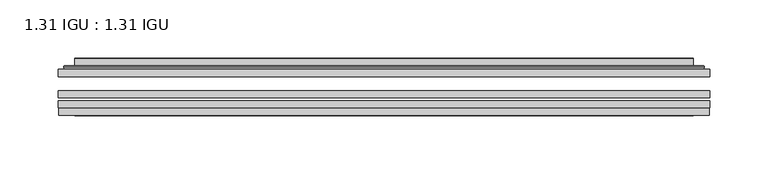
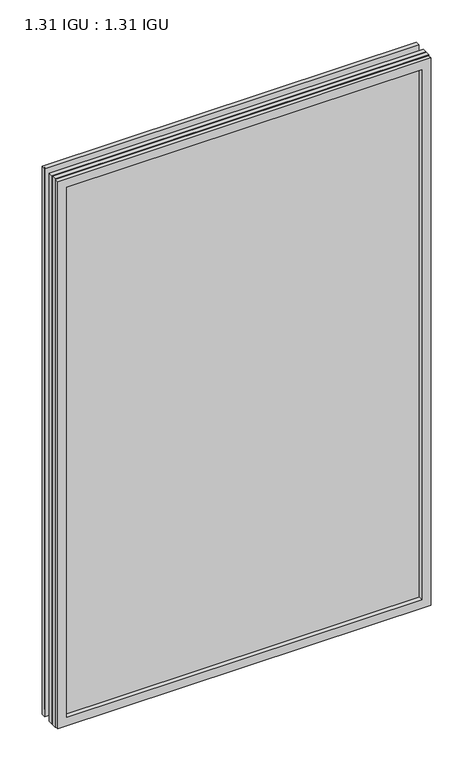
"""IFC4 building model written with IfcOpenShell, lengths in millimetres: plate geometry, 1.31 IGU : 1.31 IGU."""

from ifc_helpers import new_model, si_unit, frame, origin, place, context, project, spatial, polyline, ellipse_curve, outline, extrude, faceted_brep, source, transform, mapped, element, save
from ifc_brep_helpers import plane_surface, cylinder_surface, advanced_brep


def plate_1_31_igu_1_31_igu_31398427(model_context):
    return source(origin(), model_context, "Body", "SolidModel", [
        extrude(outline(polyline([(281.0048663, -63.59525), (281.0048663, -69.94525), (-280.9906913, -69.94525), (-280.9906913, -63.59525), (281.0048663, -63.59525)])), frame((0.0, 0.0, -14.2875), z_axis=(0.0, 0.0, 1.0), x_axis=(1.0, 0.0, 0.0)), (0.0, 0.0, 1.0), 869.9537979),
        extrude(outline(polyline([(-280.9906913, -78.58125), (-280.9906913, -72.230745), (281.0048663, -72.230745), (281.0048663, -78.58125), (-280.9906913, -78.58125)])), frame((0.0, 0.0, -14.2875), z_axis=(0.0, 0.0, 1.0), x_axis=(1.0, 0.0, 0.0)), (0.0, 0.0, 1.0), 869.9537979),
        extrude(outline(polyline([(281.0048663, -45.25645), (281.0048663, -51.60645), (-280.9906913, -51.60645), (-280.9906913, -45.25645), (281.0048663, -45.25645)])), frame((0.0, 0.0, -14.2875), z_axis=(0.0, 0.0, 1.0), x_axis=(1.0, 0.0, 0.0)), (0.0, 0.0, 1.0), 869.9537979),
        faceted_brep([(-280.2905055, -84.93125, 854.9623142), (-280.2905055, -78.58125, 854.9623142), (-280.2905055, -78.58125, -13.5873142), (-280.2905055, -84.93125, -13.5873142), (280.2905055, -78.58125, -13.5873142), (280.2905055, -84.93125, -13.5873142), (280.2905055, -78.58125, 854.9623142), (280.2905055, -84.93125, 854.9623142), (-265.8054472, -78.58125, 0.8977441), (265.8054472, -78.58125, 0.8977441), (265.8054472, -78.58125, 840.4772559), (-265.8054472, -78.58125, 840.4772559), (-266.6978815, -84.93125, 841.3696902), (266.6978815, -84.93125, 841.3696902), (266.6978815, -84.93125, 0.0053098), (-266.6978815, -84.93125, 0.0053098)], [[[0, 1, 2, 3]], [[3, 2, 4, 5]], [[5, 4, 6, 7]], [[1, 6, 4, 2], [8, 9, 10, 11]], [[7, 6, 1, 0]], [[3, 5, 7, 0], [12, 13, 14, 15]], [[11, 12, 15, 8]], [[8, 15, 14, 9]], [[9, 14, 13, 10]], [[10, 13, 12, 11]]]),
        advanced_brep(
        [(-273.7494103, -45.25645, 848.421219), (-276.1036157, -43.2667833, 850.7754244), (-276.1036157, -43.2667833, -9.4004244), (-273.7494103, -45.25645, -7.046219), (-264.6750852, -41.416413, 839.3468939), (-259.7402534, -45.25645, 834.4120621), (-259.7402534, -45.25645, 6.9629379), (-264.6750852, -41.416413, 2.0281061), (-265.707113, -36.0191819, 840.3789217), (-265.707113, -36.0191819, 0.9960783), (-266.6977697, -35.6202069, 841.3695784), (-266.6977697, -35.6202069, 0.0054216), (-266.6977697, -42.08145, 841.3695784), (-266.6977697, -42.08145, 0.0054216), (-275.1018262, -42.08145, 849.7736349), (-275.1018262, -42.08145, -8.3986349), (276.1036157, -43.2667833, -9.4004244), (273.7494103, -45.25645, -7.046219), (259.7402534, -45.25645, 6.9629379), (264.6750852, -41.416413, 2.0281061), (265.707113, -36.0191819, 0.9960783), (266.6977697, -35.6202069, 0.0054216), (266.6977697, -42.08145, 0.0054216), (275.1018262, -42.08145, -8.3986349), (276.1036157, -43.2667833, 850.7754244), (273.7494103, -45.25645, 848.421219), (259.7402534, -45.25645, 834.4120621), (264.6750852, -41.416413, 839.3468939), (265.707113, -36.0191819, 840.3789217), (266.6977697, -35.6202069, 841.3695784), (266.6977697, -42.08145, 841.3695784), (275.1018262, -42.08145, 849.7736349)],
        [
            (0, 1, ellipse_curve(frame((-273.7494103, -42.86885, 848.421219), z_axis=(-0.7071067811865475, 0.0, -0.7071067811865475), x_axis=(-0.7071067811865474, 0.0, 0.7071067811865476)), 3.3765763, 2.3876)),
            (1, 2),
            (2, 3, ellipse_curve(frame((-273.7494103, -42.86885, -7.046219), z_axis=(-0.7071067811865475, 0.0, 0.7071067811865475), x_axis=(0.7071067811865474, 0.0, 0.7071067811865476)), 3.3765763, 2.3876)),
            (3, 0),
            (4, 5),
            (5, 6),
            (6, 7),
            (7, 4),
            (8, 4),
            (7, 9),
            (9, 8),
            (10, 8, ellipse_curve(frame((-266.3308132, -36.1384423, 841.0026219), z_axis=(-0.7071067811865475, 0.0, -0.7071067811865475), x_axis=(-0.7071067811865474, 0.0, 0.7071067811865476)), 0.8980256, 0.635)),
            (9, 11, ellipse_curve(frame((-266.3308132, -36.1384423, 0.3723781), z_axis=(-0.7071067811865475, 0.0, 0.7071067811865475), x_axis=(0.7071067811865474, 0.0, 0.7071067811865476)), 0.8980256, 0.635)),
            (11, 10),
            (12, 10),
            (11, 13),
            (13, 12),
            (1, 14, ellipse_curve(frame((-275.1018262, -43.09745, 849.7736349), z_axis=(-0.7071067811865475, 0.0, -0.7071067811865475), x_axis=(-0.7071067811865474, 0.0, 0.7071067811865476)), 1.436841, 1.016)),
            (14, 15),
            (15, 2, ellipse_curve(frame((-275.1018262, -43.09745, -8.3986349), z_axis=(-0.7071067811865475, 0.0, 0.7071067811865475), x_axis=(0.7071067811865474, 0.0, 0.7071067811865476)), 1.436841, 1.016)),
            (2, 16),
            (16, 17, ellipse_curve(frame((273.7494103, -42.86885, -7.046219), z_axis=(-0.7071067811865475, 0.0, -0.7071067811865475), x_axis=(-0.7071067811865476, 0.0, 0.7071067811865474)), 3.3765763, 2.3876)),
            (17, 3),
            (6, 18),
            (18, 19),
            (19, 7),
            (19, 20),
            (20, 9),
            (20, 21, ellipse_curve(frame((266.3308132, -36.1384423, 0.3723781), z_axis=(-0.7071067811865475, 0.0, -0.7071067811865475), x_axis=(-0.7071067811865476, 0.0, 0.7071067811865474)), 0.8980256, 0.635)),
            (21, 11),
            (21, 22),
            (22, 13),
            (15, 23),
            (23, 16, ellipse_curve(frame((275.1018262, -43.09745, -8.3986349), z_axis=(-0.7071067811865475, 0.0, -0.7071067811865475), x_axis=(-0.7071067811865476, 0.0, 0.7071067811865474)), 1.436841, 1.016)),
            (16, 24),
            (24, 25, ellipse_curve(frame((273.7494103, -42.86885, 848.421219), z_axis=(0.7071067811865475, 0.0, -0.7071067811865475), x_axis=(-0.7071067811865474, 0.0, -0.7071067811865476)), 3.3765763, 2.3876)),
            (25, 17),
            (18, 26),
            (26, 27),
            (27, 19),
            (27, 28),
            (28, 20),
            (28, 29, ellipse_curve(frame((266.3308132, -36.1384423, 841.0026219), z_axis=(0.7071067811865475, 0.0, -0.7071067811865475), x_axis=(-0.7071067811865474, 0.0, -0.7071067811865476)), 0.8980256, 0.635)),
            (29, 21),
            (29, 30),
            (30, 22),
            (23, 31),
            (31, 24, ellipse_curve(frame((275.1018262, -43.09745, 849.7736349), z_axis=(0.7071067811865475, 0.0, -0.7071067811865475), x_axis=(-0.7071067811865474, 0.0, -0.7071067811865476)), 1.436841, 1.016)),
            (24, 1),
            (0, 25),
            (5, 26),
            (4, 27),
            (8, 28),
            (10, 29),
            (12, 30),
            (14, 31),
        ],
        [
            cylinder_surface(frame((-273.7494103, -42.86885, 873.125), z_axis=(0.0, 0.0, 1.0), x_axis=(-1.0, 0.0, 0.0)), 2.3876),
            plane_surface(frame((-259.7402534, -45.25645, 834.4120621), z_axis=(0.6141233906514794, 0.7892100234124821, 0.0), x_axis=(0.0, 0.0, -1.0))),
            plane_surface(frame((-264.6750852, -41.416413, 839.3468939), z_axis=(0.9822050625507729, 0.18781164793386076, 0.0), x_axis=(0.0, 0.0, -1.0))),
            cylinder_surface(frame((-266.3308132, -36.1384423, 873.125), z_axis=(0.0, 0.0, 1.0), x_axis=(-1.0, 0.0, 0.0)), 0.635),
            plane_surface(frame((-266.6977697, -35.6202069, 841.3695784), z_axis=(-1.0, 0.0, 0.0), x_axis=(0.0, 0.0, -1.0))),
            cylinder_surface(frame((-275.1018262, -43.09745, 873.125), z_axis=(0.0, 0.0, 1.0), x_axis=(-1.0, 0.0, 0.0)), 1.016),
            cylinder_surface(frame((-298.4531913, -42.86885, -7.046219), z_axis=(-1.0, 0.0, 0.0), x_axis=(0.0, 0.0, -1.0)), 2.3876),
            plane_surface(frame((-259.7402534, -45.25645, 6.9629379), z_axis=(0.0, 0.7892100234124841, 0.6141233906514768), x_axis=(1.0, 0.0, 0.0))),
            plane_surface(frame((-264.6750852, -41.416413, 2.0281061), z_axis=(0.0, 0.18781164793386393, 0.9822050625507723), x_axis=(1.0, 0.0, 0.0))),
            cylinder_surface(frame((-298.4531913, -36.1384423, 0.3723781), z_axis=(-1.0, 0.0, 0.0), x_axis=(0.0, 0.0, -1.0)), 0.635),
            plane_surface(frame((-266.6977697, -35.6202069, 0.0054216), z_axis=(0.0, 0.0, -1.0), x_axis=(1.0, 0.0, 0.0))),
            cylinder_surface(frame((-298.4531913, -43.09745, -8.3986349), z_axis=(-1.0, 0.0, 0.0), x_axis=(0.0, 0.0, -1.0)), 1.016),
            cylinder_surface(frame((273.7494103, -42.86885, -31.75), z_axis=(0.0, 0.0, -1.0), x_axis=(1.0, 0.0, 0.0)), 2.3876),
            plane_surface(frame((259.7402534, -45.25645, 6.9629379), z_axis=(-0.6141233906514743, 0.7892100234124861, 0.0), x_axis=(0.0, 0.0, 1.0))),
            plane_surface(frame((264.6750852, -41.416413, 2.0281061), z_axis=(-0.9822050625507718, 0.1878116479338671, 0.0), x_axis=(0.0, 0.0, 1.0))),
            cylinder_surface(frame((266.3308132, -36.1384423, -31.75), z_axis=(0.0, 0.0, -1.0), x_axis=(1.0, 0.0, 0.0)), 0.635),
            plane_surface(frame((266.6977697, -35.6202069, 0.0054216), z_axis=(1.0, 0.0, 0.0), x_axis=(0.0, 0.0, 1.0))),
            cylinder_surface(frame((275.1018262, -43.09745, -31.75), z_axis=(0.0, 0.0, -1.0), x_axis=(1.0, 0.0, 0.0)), 1.016),
            cylinder_surface(frame((298.4531913, -42.86885, 848.421219), z_axis=(1.0, 0.0, 0.0), x_axis=(0.0, 0.0, 1.0)), 2.3876),
            plane_surface(frame((273.7494103, -45.25645, 848.421219), z_axis=(0.0, -1.0, 0.0), x_axis=(-1.0, 0.0, 0.0))),
            plane_surface(frame((259.7402534, -45.25645, 834.4120621), z_axis=(0.0, 0.7892100234124841, -0.6141233906514768), x_axis=(-1.0, 0.0, 0.0))),
            plane_surface(frame((264.6750852, -41.416413, 839.3468939), z_axis=(0.0, 0.18781164793386393, -0.9822050625507723), x_axis=(-1.0, 0.0, 0.0))),
            cylinder_surface(frame((298.4531913, -36.1384423, 841.0026219), z_axis=(1.0, 0.0, 0.0), x_axis=(0.0, 0.0, 1.0)), 0.635),
            plane_surface(frame((266.6977697, -35.6202069, 841.3695784), z_axis=(0.0, 0.0, 1.0), x_axis=(-1.0, 0.0, 0.0))),
            plane_surface(frame((266.6977697, -42.08145, 841.3695784), z_axis=(0.0, 1.0, 0.0), x_axis=(-1.0, 0.0, 0.0))),
            cylinder_surface(frame((298.4531913, -43.09745, 849.7736349), z_axis=(1.0, 0.0, 0.0), x_axis=(0.0, 0.0, 1.0)), 1.016),
        ],
        [
            (0, [[1, 2, 3, 4]]),
            (1, [[5, 6, 7, 8]]),
            (2, [[9, -8, 10, 11]]),
            (3, [[12, -11, 13, 14]]),
            (4, [[15, -14, 16, 17]]),
            (5, [[18, 19, 20, -2]]),
            (6, [[-3, 21, 22, 23]]),
            (7, [[-7, 24, 25, 26]]),
            (8, [[-10, -26, 27, 28]]),
            (9, [[-13, -28, 29, 30]]),
            (10, [[-16, -30, 31, 32]]),
            (11, [[-20, 33, 34, -21]]),
            (12, [[-22, 35, 36, 37]]),
            (13, [[-25, 38, 39, 40]]),
            (14, [[-27, -40, 41, 42]]),
            (15, [[-29, -42, 43, 44]]),
            (16, [[-31, -44, 45, 46]]),
            (17, [[-34, 47, 48, -35]]),
            (18, [[-36, 49, -1, 50]]),
            (19, [[-23, -37, -50, -4], [51, -38, -24, -6]]),
            (20, [[-39, -51, -5, 52]]),
            (21, [[-41, -52, -9, 53]]),
            (22, [[-43, -53, -12, 54]]),
            (23, [[-45, -54, -15, 55]]),
            (24, [[56, -47, -33, -19], [-32, -46, -55, -17]]),
            (25, [[-48, -56, -18, -49]]),
        ],
    ),
    ])


if __name__ == "__main__":
    model = new_model("IFC4")
    model_context = context("Model", 3, world=origin())
    ifc_project = project(units=[si_unit("LENGTHUNIT", "METRE", prefix="MILLI")], contexts=[model_context])
    site = spatial("IfcSite", under=ifc_project)
    building = spatial("IfcBuilding", under=site)
    placement = place(None, origin())
    plate_1_31_igu_1_31_igu_shape = plate_1_31_igu_1_31_igu_31398427(model_context)
    element("IfcPlate", 1, ObjectType="1.31 IGU : 1.31 IGU", at=placement, inside=building, context=model_context, shape_type="MappedRepresentation", body=[
        mapped(plate_1_31_igu_1_31_igu_shape, transform((0.0, 0.0, 0.0), x_axis=(1.0, 0.0, 0.0), y_axis=(0.0, 1.0, 0.0), z_axis=(0.0, 0.0, 1.0))),
    ])
    save(model, "model.ifc")
